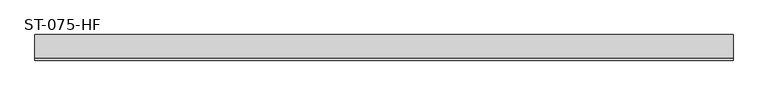
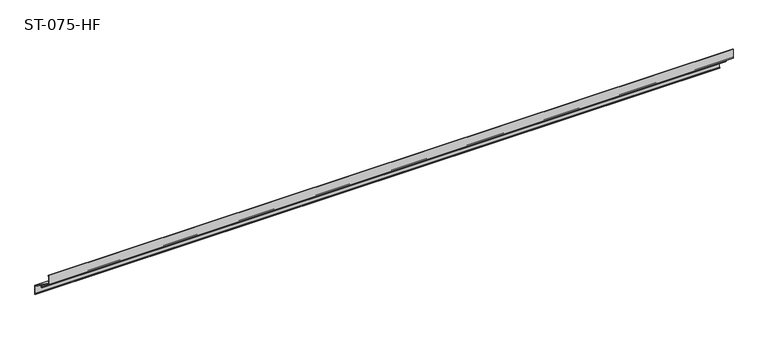
"""IFC4 building model written with IfcOpenShell, lengths in millimetres: plate geometry, ST-075-HF."""

from ifc_helpers import new_model, si_unit, frame, origin, place, context, project, spatial, polyline, outline, extrude, source, transform, mapped, element, save


def st_075_hf_911b6903(model_context):
    return source(origin(), model_context, "Body", "SweptSolid", [
        extrude(outline(polyline([(3.9, -2.7308094), (3.9, -5.0502811), (1.9, -3.649866), (1.9, -19.5635119), (55.0, -56.7445322), (55.0, -77.6051786), (51.1, -74.8743692), (51.1, -72.5548974), (53.1, -73.9553125), (53.1, -57.7336096), (30.6, -41.9789399), (30.6, -46.2525893), (28.6, -46.2525893), (28.6, -40.5785249), (26.4, -39.0380683), (26.4, -43.535432), (24.4, -41.535432), (24.4, -37.6376532), (0.0, -20.5525893), (0.0, 0.0), (3.9, -2.7308094)])), frame((-750.0, 0.0, 0.0), z_axis=(1.0, 0.0, 0.0), x_axis=(0.0, 1.0, 0.0)), (0.0, 0.0, 1.0), 1499.7321324),
    ])


if __name__ == "__main__":
    model = new_model("IFC4")
    model_context = context("Model", 3, world=origin())
    ifc_project = project(units=[si_unit("LENGTHUNIT", "METRE", prefix="MILLI")], contexts=[model_context])
    site = spatial("IfcSite", under=ifc_project)
    building = spatial("IfcBuilding", under=site)
    placement = place(None, origin())
    st_075_hf_shape = st_075_hf_911b6903(model_context)
    element("IfcPlate", 1, ObjectType="ST-075-HF", at=placement, inside=building, context=model_context, shape_type="MappedRepresentation", body=[
        mapped(st_075_hf_shape, transform((0.0, 0.0, 0.0), x_axis=(1.0, 0.0, 0.0), y_axis=(0.0, 1.0, 0.0), z_axis=(0.0, 0.0, 1.0))),
    ])
    save(model, "model.ifc")
